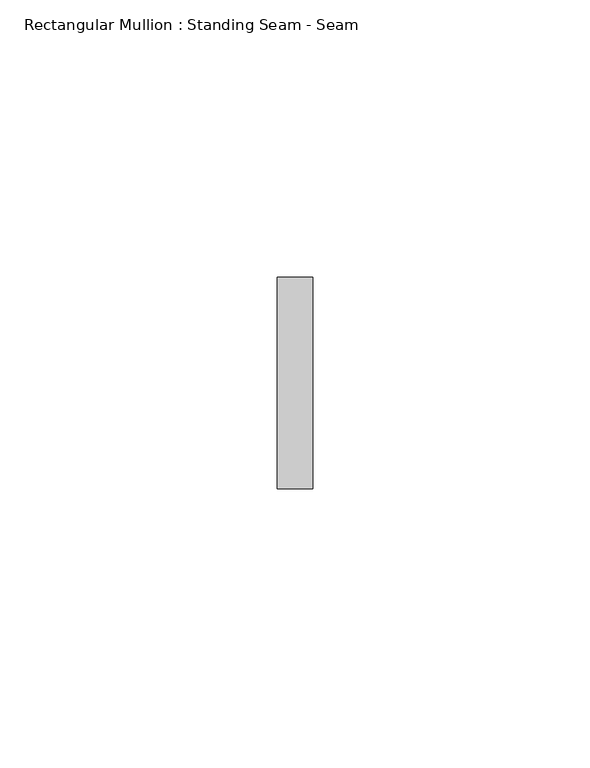
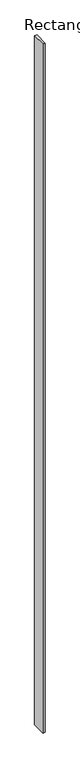
"""IFC4 building model written with IfcOpenShell, lengths in millimetres: member geometry, Rectangular Mullion : Standing Seam - Seam."""

from ifc_helpers import new_model, si_unit, frame, origin, place, context, project, spatial, polyline, outline, extrude, source, transform, mapped, element, save


def rectangular_mullion_standing_seam_seam_eb719c3d(model_context):
    return source(origin(), model_context, "Body", "SweptSolid", [
        extrude(outline(polyline([(3.175, 41.275), (3.175, 3.175), (-3.175, 3.175), (-3.175, 41.275), (3.175, 41.275)])), frame((0.0, 0.0, -1957.0465532), z_axis=(0.0, 0.0, 1.0), x_axis=(1.0, 0.0, 0.0)), (0.0, 0.0, 1.0), 1957.0465532),
    ])


if __name__ == "__main__":
    model = new_model("IFC4")
    model_context = context("Model", 3, world=origin())
    ifc_project = project(units=[si_unit("LENGTHUNIT", "METRE", prefix="MILLI")], contexts=[model_context])
    site = spatial("IfcSite", under=ifc_project)
    building = spatial("IfcBuilding", under=site)
    placement = place(None, origin())
    rectangular_mullion_standing_seam_seam_shape = rectangular_mullion_standing_seam_seam_eb719c3d(model_context)
    element("IfcMember", 1, ObjectType="Rectangular Mullion : Standing Seam - Seam", at=placement, inside=building, context=model_context, shape_type="MappedRepresentation", body=[
        mapped(rectangular_mullion_standing_seam_seam_shape, transform((0.0, 0.0, 0.0), x_axis=(1.0, 0.0, 0.0), y_axis=(0.0, 1.0, 0.0), z_axis=(0.0, 0.0, 1.0))),
    ])
    save(model, "model.ifc")
